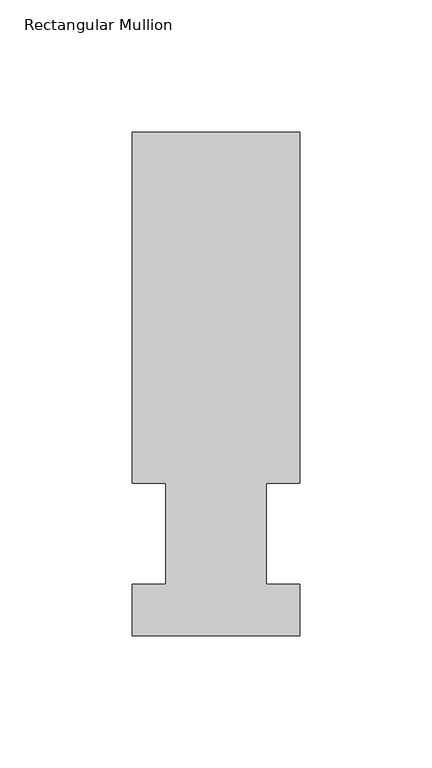
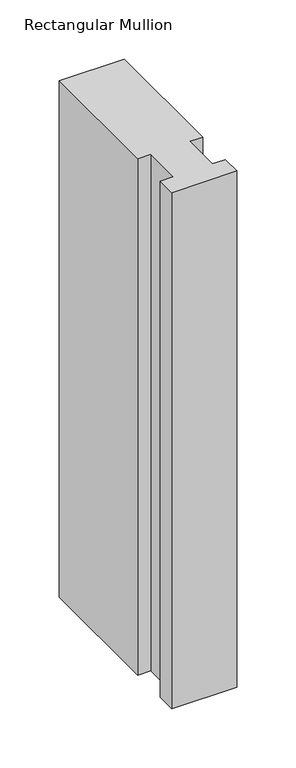
"""IFC4 building model written with IfcOpenShell, lengths in millimetres: member geometry, Rectangular Mullion."""

from ifc_helpers import new_model, si_unit, frame, origin, place, context, project, spatial, polyline, outline, extrude, source, transform, mapped, element, save


def rectangular_mullion_d875a891(model_context):
    return source(origin(), model_context, "Body", "SweptSolid", [
        extrude(outline(polyline([(-63.5, 190.5896938), (0.0, 190.5896938), (0.0, 57.6460937), (-12.6873, 57.6460937), (-12.6873, 19.5460938), (0.0, 19.5460938), (0.0, 0.0134938), (-63.5, 0.0134938), (-63.5, 19.5460938), (-50.8, 19.5460938), (-50.8, 57.6460937), (-63.5, 57.6460937), (-63.5, 190.5896938)])), frame((0.0, 0.0, -533.36825), z_axis=(0.0, 0.0, 1.0), x_axis=(1.0, 0.0, 0.0)), (0.0, 0.0, 1.0), 533.36825),
    ])


if __name__ == "__main__":
    model = new_model("IFC4")
    model_context = context("Model", 3, world=origin())
    ifc_project = project(units=[si_unit("LENGTHUNIT", "METRE", prefix="MILLI")], contexts=[model_context])
    site = spatial("IfcSite", under=ifc_project)
    building = spatial("IfcBuilding", under=site)
    placement = place(None, origin())
    rectangular_mullion_shape = rectangular_mullion_d875a891(model_context)
    element("IfcMember", 1, ObjectType="Rectangular Mullion", at=placement, inside=building, context=model_context, shape_type="MappedRepresentation", body=[
        mapped(rectangular_mullion_shape, transform((0.0, 0.0, 0.0), x_axis=(1.0, 0.0, 0.0), y_axis=(0.0, 1.0, 0.0), z_axis=(0.0, 0.0, 1.0))),
    ])
    save(model, "model.ifc")
